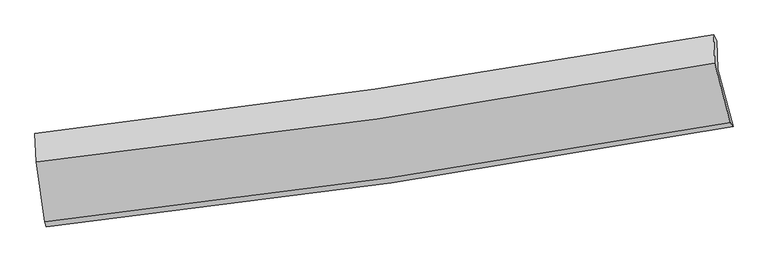
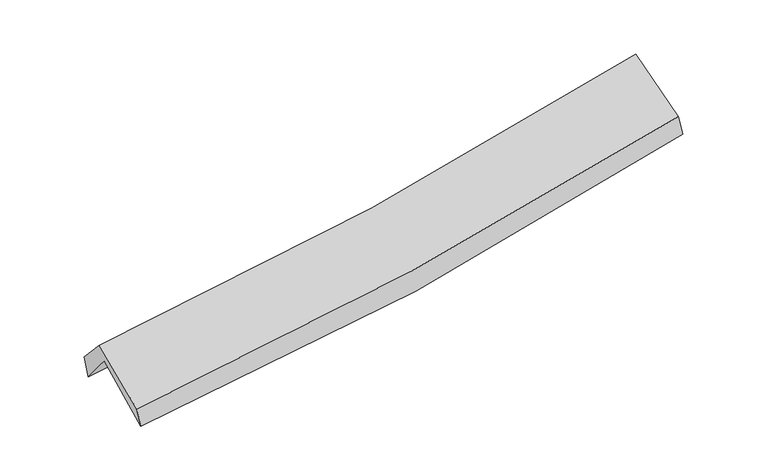
"""IFC4 building model written with IfcOpenShell, lengths in millimetres: proxy geometry."""

from ifc_helpers import new_model, si_unit, frame, origin, place, context, project, spatial, source, transform, mapped, element, save
from ifc_brep_helpers import plane_surface, spline_curve, spline_surface, advanced_brep


def generic_models_fbfb8d04(model_context):
    return source(origin(), model_context, "Body", "AdvancedBrep", [
        advanced_brep(
        [(-2905.4877777, -2511.6722496, 1484.5339865), (-2981.4892247, -2004.9978749, 1899.0140483), (2915.5202505, -1142.8851658, 2400.237449), (3048.431173, -1639.0305799, 1978.4969271), (-2990.1483902, -1749.2198536, 1579.0604516), (2907.1293014, -895.0298338, 2090.1943713), (-3005.8190383, -1701.0554742, 1768.910892), (2880.2416526, -843.9673678, 2252.1749045), (-2995.1778237, -1948.3715103, 2037.8696033), (2889.4929421, -1091.0881505, 2553.3525254), (-2918.8112191, -2470.0861868, 1644.7689712), (3022.8793039, -1603.6813325, 2152.9171926)],
        [
            (0, 1),
            (1, 2, spline_curve(3, [(-2981.4892247, -2004.9978749, 1899.0140483), (-1989.657886961, -1902.071919611, 1936.984403857), (-1002.662750229, -1778.830241466, 1997.693378789), (963.020530924, -1491.515864115, 2164.704578775), (1941.695219368, -1327.386639082, 2271.070070548), (2915.5202505, -1142.8851658, 2400.237449)], [4, 2, 4], [0.0, 9.856733846665533, 19.72717065662086])),
            (2, 3),
            (3, 0, spline_curve(3, [(3048.431173, -1639.0305799, 1978.4969271), (2065.619199303, -1820.473945098, 1841.113413827), (1077.705114023, -1983.953810817, 1731.248587765), (-906.948692949, -2274.784525431, 1566.670628411), (-1903.674257491, -2402.185216266, 1511.881141358), (-2905.4877777, -2511.6722496, 1484.5339865)], [4, 2, 4], [0.0, 9.870436809955327, 19.72717065662086])),
            (1, 4),
            (4, 5, spline_curve(3, [(-2990.1483902, -1749.2198536, 1579.0604516), (-1998.314177372, -1646.378817929, 1617.137033169), (-1011.295282235, -1523.838936478, 1678.723888097), (954.477346393, -1239.163738939, 1849.036447269), (1933.21768169, -1076.973614104, 1957.827565789), (2907.1293014, -895.0298338, 2090.1943713)], [4, 2, 4], [0.0, 9.809631132290328, 19.63289974504663])),
            (5, 2),
            (4, 6),
            (6, 7, spline_curve(3, [(-3005.8190383, -1701.0554742, 1768.910892), (-2018.548184996, -1587.410230898, 1813.758163889), (-1034.746006051, -1459.223321389, 1876.413448722), (927.283875207, -1173.567745834, 2037.451904631), (1905.501926628, -1016.058620046, 2135.884623906), (2880.2416526, -843.9673678, 2252.1749045)], [4, 2, 4], [0.0, 9.797676534864985, 19.608973930754637])),
            (7, 5),
            (6, 8),
            (8, 9, spline_curve(3, [(-2995.1778237, -1948.3715103, 2037.8696033), (-2006.688602568, -1841.087214219, 2085.071657024), (-1022.392483289, -1716.066738841, 2151.586330767), (939.17610562, -1430.354967348, 2323.360237085), (1916.436907686, -1269.614322933, 2428.673203672), (2889.4929421, -1091.0881505, 2553.3525254)], [4, 2, 4], [0.0, 9.787499353270013, 19.588605419110653])),
            (9, 7),
            (8, 10),
            (10, 11, spline_curve(3, [(-2918.8112191, -2470.0861868, 1644.7689712), (-1920.792634186, -2357.983740078, 1689.217301571), (-926.983475294, -2229.793447111, 1753.743781217), (1053.591744484, -1941.036591089, 1923.07065687), (2040.346093441, -1780.425266101, 2027.926917872), (3022.8793039, -1603.6813325, 2152.9171926)], [4, 2, 4], [0.0, 9.835680949187557, 19.68503559364512])),
            (11, 9),
            (10, 0),
            (3, 11),
        ],
        [
            spline_surface(3, 3, [[(-2905.4877777, -2511.6722496, 1484.5339865), (-1903.674257633, -2402.18521615, 1511.881141298), (-906.948692834, -2274.784525282, 1566.67062854), (1077.705113908, -1983.953810967, 1731.248587636), (2065.619199367, -1820.473945233, 1841.113413937), (3048.431173, -1639.0305799, 1978.4969271)], [(-2930.821593362, -2342.780791381, 1622.694007098), (-1932.335467363, -2235.480783992, 1653.582228765), (-938.853378619, -2109.466430687, 1710.34487866), (1039.476919577, -1819.807828681, 1875.733918022), (2024.311206035, -1656.11150989, 1984.432299466), (3004.12753217, -1473.648775198, 2119.077101082)], [(-2956.155409038, -2173.889333119, 1760.854027702), (-1960.996677106, -2068.77635179, 1795.283316237), (-970.758064419, -1944.148336079, 1854.019128713), (1001.248725231, -1655.661846382, 2020.219248344), (1983.003212692, -1491.749074551, 2127.751184949), (2959.82389133, -1308.266970502, 2259.657275018)], [(-2981.4892247, -2004.9978749, 1899.0140483), (-1989.657886836, -1902.071919632, 1936.984403704), (-1002.662750205, -1778.830241484, 1997.693378833), (963.020530899, -1491.515864096, 2164.704578731), (1941.695219361, -1327.386639207, 2271.070070478), (2915.5202505, -1142.8851658, 2400.237449)]], [4, 4], [4, 2, 4], [0.0, 2.1815226623091224], [0.0, 9.856733846665533, 19.72717065662086]),
            spline_surface(3, 3, [[(-2981.4892247, -2004.9978749, 1899.0140483), (-1989.657886836, -1902.071919632, 1936.984403704), (-1002.662750205, -1778.830241484, 1997.693378833), (963.020530899, -1491.515864096, 2164.704578731), (1941.695219361, -1327.386639207, 2271.070070478), (2915.5202505, -1142.8851658, 2400.237449)], [(-2984.37561323, -1919.738534464, 1792.3628494), (-1992.54331707, -1816.840885742, 1830.36861356), (-1005.540260847, -1693.833139769, 1891.370215241), (960.172802718, -1407.398489065, 2059.48186824), (1938.869373418, -1243.91563081, 2166.655902209), (2912.723267461, -1060.26672179, 2296.889756421)], [(-2987.26200167, -1834.479194036, 1685.7116505), (-1995.428747214, -1731.609851862, 1723.752823414), (-1008.417771523, -1608.836038091, 1785.047051674), (957.325074504, -1323.281114072, 1954.259157774), (1936.043527494, -1160.444622444, 2062.241733976), (2909.926284439, -977.64827781, 2193.542063879)], [(-2990.1483902, -1749.2198536, 1579.0604516), (-1998.314177448, -1646.378817972, 1617.13703327), (-1011.295282165, -1523.838936376, 1678.723888082), (954.477346323, -1239.163739041, 1849.036447284), (1933.217681552, -1076.973614047, 1957.827565706), (2907.1293014, -895.0298338, 2090.1943713)]], [4, 4], [4, 2, 4], [0.0, 1.333135413108715], [0.0, 9.809631132290328, 19.63289974504663]),
            spline_surface(3, 3, [[(-2990.1483902, -1749.2198536, 1579.0604516), (-1998.314177448, -1646.378817972, 1617.13703327), (-1011.295282165, -1523.838936376, 1678.723888082), (954.477346323, -1239.163739041, 1849.036447284), (1933.217681552, -1076.973614047, 1957.827565706), (2907.1293014, -895.0298338, 2090.1943713)], [(-2995.371939556, -1733.165060485, 1642.343931747), (-2005.058846597, -1626.722622314, 1682.677410198), (-1019.112190152, -1502.30039803, 1744.620408291), (945.412855976, -1217.298408027, 1911.841599714), (1923.979096629, -1056.668616095, 2017.179918497), (2898.166751807, -878.009011807, 2144.187882372)], [(-3000.595488944, -1717.110267315, 1705.627411853), (-2011.80351578, -1607.066426603, 1748.217787087), (-1026.929098139, -1480.761859628, 1810.516928535), (936.348365628, -1195.433076957, 1974.646752179), (1914.740511686, -1036.363618123, 2076.532271273), (2889.204202193, -860.988189793, 2198.181393428)], [(-3005.8190383, -1701.0554742, 1768.910892), (-2018.548184929, -1587.410230945, 1813.758164015), (-1034.746006125, -1459.223321282, 1876.413448744), (927.283875281, -1173.567745942, 2037.451904609), (1905.501926763, -1016.058620171, 2135.884624064), (2880.2416526, -843.9673678, 2252.1749045)]], [4, 4], [4, 2, 4], [0.0, 0.6735475162372375], [0.0, 9.797676534864985, 19.608973930754637]),
            spline_surface(3, 3, [[(-3005.8190383, -1701.0554742, 1768.910892), (-2018.548184929, -1587.410230945, 1813.758164015), (-1034.746006125, -1459.223321282, 1876.413448744), (927.283875281, -1173.567745942, 2037.451904609), (1905.501926763, -1016.058620171, 2135.884624064), (2880.2416526, -843.9673678, 2252.1749045)], [(-3002.271966777, -1783.494152887, 1858.563795767), (-2014.594990874, -1671.969225367, 1904.195995035), (-1030.628165162, -1544.837793808, 1968.137742814), (931.247951998, -1259.163486407, 2132.754682073), (1909.146920456, -1100.577187709, 2233.480817324), (2883.325415771, -926.340962022, 2352.567444805)], [(-2998.724895223, -1865.932831613, 1948.216699533), (-2010.641796786, -1756.528219826, 1994.633826055), (-1026.510324132, -1630.452266329, 2059.862036833), (935.212028783, -1344.759226868, 2228.057459485), (1912.791914137, -1185.095755283, 2331.077010569), (2886.409178929, -1008.714556278, 2452.959985095)], [(-2995.1778237, -1948.3715103, 2037.8696033), (-2006.688602731, -1841.087214247, 2085.071657075), (-1022.392483169, -1716.066738855, 2151.586330904), (939.1761055, -1430.354967333, 2323.360236949), (1916.43690783, -1269.614322822, 2428.673203828), (2889.4929421, -1091.0881505, 2553.3525254)]], [4, 4], [4, 2, 4], [0.0, 1.2484803311006065], [0.0, 9.787499353270013, 19.588605419110653]),
            spline_surface(3, 3, [[(-2995.1778237, -1948.3715103, 2037.8696033), (-2006.688602731, -1841.087214247, 2085.071657075), (-1022.392483169, -1716.066738855, 2151.586330904), (939.1761055, -1430.354967333, 2323.360236949), (1916.43690783, -1269.614322822, 2428.673203828), (2889.4929421, -1091.0881505, 2553.3525254)], [(-2969.722288825, -2122.27640247, 1906.836059266), (-1978.056613159, -2013.3860562, 1953.120205242), (-990.589480526, -1887.30897493, 2018.972147633), (977.314651858, -1600.582175266, 2189.930376942), (1957.73996969, -1439.884637242, 2295.091108514), (2933.955062696, -1261.952544498, 2419.874081134)], [(-2944.266753975, -2296.18129463, 1775.802515234), (-1949.424623613, -2185.684898143, 1821.168753409), (-958.786477955, -2058.551211, 1886.357964396), (1015.453198144, -1770.809383193, 2056.500516968), (1999.04303156, -1610.154951667, 2161.509013199), (2978.417183304, -1432.816938502, 2286.395636866)], [(-2918.8112191, -2470.0861868, 1644.7689712), (-1920.792634041, -2357.983740096, 1689.217301576), (-926.983475311, -2229.793447075, 1753.743781126), (1053.591744502, -1941.036591126, 1923.070656961), (2040.34609342, -1780.425266088, 2027.926917884), (3022.8793039, -1603.6813325, 2152.9171926)]], [4, 4], [4, 2, 4], [0.0, 2.1579233755094305], [0.0, 9.835680949187557, 19.68503559364512]),
            spline_surface(3, 3, [[(-2918.8112191, -2470.0861868, 1644.7689712), (-1920.792634041, -2357.983740096, 1689.217301576), (-926.983475311, -2229.793447075, 1753.743781126), (1053.591744502, -1941.036591126, 1923.070656961), (2040.34609342, -1780.425266088, 2027.926917884), (3022.8793039, -1603.6813325, 2152.9171926)], [(-2914.37007195, -2483.948207713, 1591.357309621), (-1915.086508555, -2372.717565427, 1630.105248138), (-920.305214504, -2244.79047313, 1691.38606359), (1061.629534286, -1955.342331059, 1859.129967178), (2048.770462064, -1793.774825821, 1965.655749888), (3031.396593595, -1615.464414985, 2094.777104086)], [(-2909.92892485, -2497.810228687, 1537.945648079), (-1909.380383119, -2387.451390819, 1570.993194736), (-913.626953642, -2259.787499226, 1629.028346077), (1069.667324124, -1969.648071033, 1795.189277419), (2057.194830723, -1807.1243855, 1903.384581933), (3039.913883305, -1627.247497415, 2036.637015614)], [(-2905.4877777, -2511.6722496, 1484.5339865), (-1903.674257633, -2402.18521615, 1511.881141298), (-906.948692834, -2274.784525282, 1566.67062854), (1077.705113908, -1983.953810967, 1731.248587636), (2065.619199367, -1820.473945233, 1841.113413937), (3048.431173, -1639.0305799, 1978.4969271)]], [4, 4], [4, 2, 4], [0.0, 0.6421641601545797], [0.0, 9.892971181505674, 19.79969570392894]),
            plane_surface(frame((2943.9491039, -1202.6137384, 2237.8955616), z_axis=(0.9794482535085771, 0.169638417028957, 0.10910511521880074), x_axis=(0.20088395263786268, -0.7719810564832744, -0.6030678950197537))),
            plane_surface(frame((-2966.155579, -2064.2338582, 1735.6929921), z_axis=(-0.9930806905350179, -0.1033572865910149, -0.055749559594986425), x_axis=(-0.08022361745761675, 0.25039959842952264, 0.9648130452623181))),
        ],
        [
            (0, [[1, 2, 3, 4]]),
            (1, [[5, 6, 7, -2]]),
            (2, [[8, 9, 10, -6]]),
            (3, [[11, 12, 13, -9]]),
            (4, [[14, 15, 16, -12]]),
            (5, [[17, -4, 18, -15]]),
            (6, [[-16, -18, -3, -7, -10, -13]]),
            (7, [[-17, -14, -11, -8, -5, -1]]),
        ],
    ),
    ])


if __name__ == "__main__":
    model = new_model("IFC4")
    model_context = context("Model", 3, world=origin())
    ifc_project = project(units=[si_unit("LENGTHUNIT", "METRE", prefix="MILLI")], contexts=[model_context])
    site = spatial("IfcSite", under=ifc_project)
    building = spatial("IfcBuilding", under=site)
    placement = place(None, origin())
    generic_models_shape = generic_models_fbfb8d04(model_context)
    element("IfcBuildingElementProxy", 1, Name="Generic Models", at=placement, inside=building, context=model_context, shape_type="MappedRepresentation", body=[
        mapped(generic_models_shape, transform((0.0, 0.0, 0.0), x_axis=(1.0, 0.0, 0.0), y_axis=(0.0, 1.0, 0.0), z_axis=(0.0, 0.0, 1.0))),
    ])
    save(model, "model.ifc")
